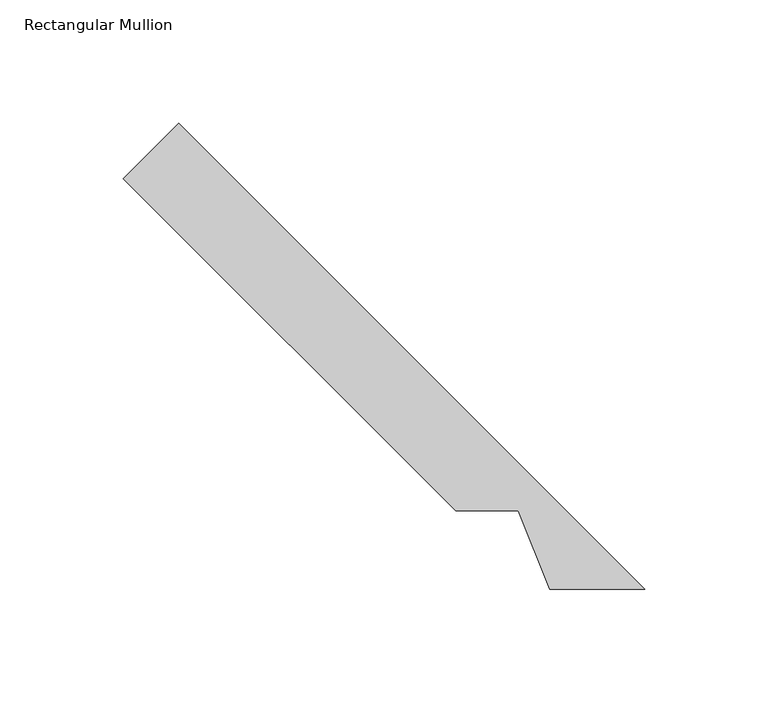
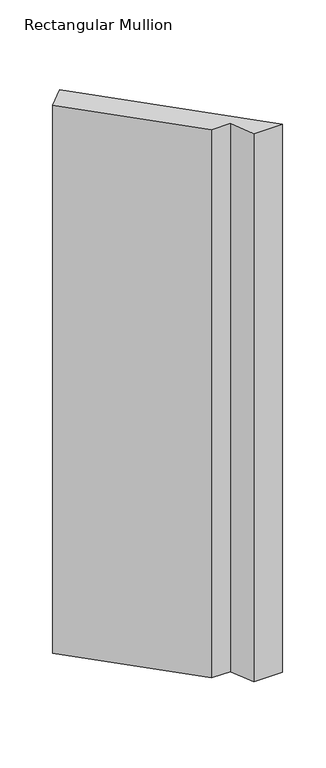
"""IFC4 building model written with IfcOpenShell, lengths in millimetres: member geometry, Rectangular Mullion."""

import ifcopenshell
import ifcopenshell.guid

model = None  # the IFC model being written
_history = None  # IfcOwnerHistory: only IFC2X3 demands one
_inside = {}  # id of a spatial element -> (the spatial element, [elements in it])
_under = {}  # id of a project, library or spatial element -> (it, [spatial elements below it])
_declared = {}  # id of a project -> (the project, [libraries it declares])
_typed = {}  # id of a type object -> (the type object, [elements of that type])
_made_of = {}  # id of a material, layer set ... -> (it, [elements and type objects made of it])


def new_model(schema):
    """Start an empty IFC model of exactly this schema.

    Asked for "IFC4X3", IfcOpenShell would pick the latest addendum, in which some entities
    have other attributes; the version numbers below select the first issue.
    IFC2X3 requires an IfcOwnerHistory on every rooted entity: one is made here for all.
    """
    global model, _history
    if schema == "IFC4X3":
        model = ifcopenshell.file(schema_version=(4, 3, 0, 0))
    else:
        model = ifcopenshell.file(schema=schema)
    _inside.clear()
    _under.clear()
    _declared.clear()
    _typed.clear()
    _made_of.clear()
    _history = None
    if model.schema == "IFC2X3":
        org = make("IfcOrganization", Name="unknown")
        user = make(
            "IfcPersonAndOrganization",
            ThePerson=make("IfcPerson", FamilyName="unknown"),
            TheOrganization=org,
        )
        app = make(
            "IfcApplication",
            ApplicationDeveloper=org,
            Version="unknown",
            ApplicationFullName="unknown",
            ApplicationIdentifier="unknown",
        )
        _history = make(
            "IfcOwnerHistory",
            OwningUser=user,
            OwningApplication=app,
            ChangeAction="ADDED",
            CreationDate=0,
        )
    return model


def make(cls, **values):
    """One entity of the class cls with the attributes given. An attribute that is None is left unset."""
    return model.create_entity(
        cls, **{name: value for name, value in values.items() if value is not None}
    )


def rooted(cls, **values):
    """An entity with a GlobalId (a new one), such as an element, a storey or a relation."""
    return make(cls, GlobalId=ifcopenshell.guid.new(), OwnerHistory=_history, **values)


def si_unit(unit_type, name, prefix=None):
    """IfcSIUnit, for example si_unit("LENGTHUNIT", "METRE", prefix="MILLI")."""
    return make("IfcSIUnit", UnitType=unit_type, Prefix=prefix, Name=name)


def assignment(units):
    """IfcUnitAssignment: the units of a project."""
    return None if units is None else make("IfcUnitAssignment", Units=units)


def point(xyz):
    """IfcCartesianPoint."""
    return None if xyz is None else make("IfcCartesianPoint", Coordinates=xyz)


def direction(xyz):
    """IfcDirection."""
    return None if xyz is None else make("IfcDirection", DirectionRatios=xyz)


def frame(location, z_axis=None, x_axis=None):
    """IfcAxis2Placement3D, a coordinate frame: its origin and axes. An axis left out is left unset."""
    return make(
        "IfcAxis2Placement3D",
        Location=point(location),
        Axis=direction(z_axis),
        RefDirection=direction(x_axis),
    )


def origin():
    """The frame at (0, 0, 0) with its axes left unset."""
    return frame((0.0, 0.0, 0.0))


def place(relative_to, where):
    """IfcLocalPlacement: puts the frame where relative to a parent placement (None: the world)."""
    return make(
        "IfcLocalPlacement", PlacementRelTo=relative_to, RelativePlacement=where
    )


def context(
    kind, dimensions, precision=None, world=None, true_north=None, identifier=None
):
    """IfcGeometricRepresentationContext, for example the 3D "Model" context."""
    return make(
        "IfcGeometricRepresentationContext",
        ContextIdentifier=identifier,
        ContextType=kind,
        CoordinateSpaceDimension=dimensions,
        Precision=precision,
        WorldCoordinateSystem=world,
        TrueNorth=true_north,
    )


def project(units=None, contexts=None):
    """IfcProject with its units and contexts."""
    return rooted(
        "IfcProject",
        Name="project",
        RepresentationContexts=contexts,
        UnitsInContext=assignment(units),
    )


def spatial(cls, under=None, at=None, **own):
    """A site, building, storey or space (cls), placed at a placement, below another one or the project."""
    s = rooted(cls, ObjectPlacement=at, **own)
    if under is not None:
        _under.setdefault(under.id(), (under, []))[1].append(s)
    return s


def polyline(points):
    """IfcPolyline through the points."""
    return make("IfcPolyline", Points=[point(p) for p in points])


def outline(outer, holes=None, kind="AREA"):
    """IfcArbitraryClosedProfileDef: a profile drawn as a closed curve; with holes, ...WithVoids."""
    if holes is None:
        return make("IfcArbitraryClosedProfileDef", ProfileType=kind, OuterCurve=outer)
    return make(
        "IfcArbitraryProfileDefWithVoids",
        ProfileType=kind,
        OuterCurve=outer,
        InnerCurves=holes,
    )


def extrude(swept, where, along, depth):
    """IfcExtrudedAreaSolid: the profile swept, set in the frame where, extruded along a direction by depth."""
    return make(
        "IfcExtrudedAreaSolid",
        SweptArea=swept,
        Position=where,
        ExtrudedDirection=direction(along),
        Depth=depth,
    )


def shape(context_of_items, identifier, shape_type, items):
    """IfcShapeRepresentation: the items that make up one representation, for example the "Body"."""
    return make(
        "IfcShapeRepresentation",
        ContextOfItems=context_of_items,
        RepresentationIdentifier=identifier,
        RepresentationType=shape_type,
        Items=items,
    )


def source(mapping_origin, context_of_items, identifier, shape_type, items):
    """IfcRepresentationMap: a shape defined once, which mapped items show again and again."""
    return make(
        "IfcRepresentationMap",
        MappingOrigin=mapping_origin,
        MappedRepresentation=shape(context_of_items, identifier, shape_type, items),
    )


def transform(
    local_origin,
    x_axis=None,
    y_axis=None,
    z_axis=None,
    scale=None,
    scale2=None,
    scale3=None,
    uniform=True,
):
    """IfcCartesianTransformationOperator3D, or its non-uniform kind. x_axis, y_axis, z_axis: its Axis1, 2, 3."""
    if uniform:
        return make(
            "IfcCartesianTransformationOperator3D",
            Axis1=direction(x_axis),
            Axis2=direction(y_axis),
            LocalOrigin=point(local_origin),
            Scale=scale,
            Axis3=direction(z_axis),
        )
    return make(
        "IfcCartesianTransformationOperator3DnonUniform",
        Axis1=direction(x_axis),
        Axis2=direction(y_axis),
        LocalOrigin=point(local_origin),
        Scale=scale,
        Axis3=direction(z_axis),
        Scale2=scale2,
        Scale3=scale3,
    )


def mapped(mapping_source, mapping_target):
    """IfcMappedItem: shows the shape of a source again, moved by a transform."""
    return make(
        "IfcMappedItem", MappingSource=mapping_source, MappingTarget=mapping_target
    )


def made_of(thing, what):
    """Note that an element or type object is made of a material, layer set ...; save() writes the relation."""
    if what is not None:
        _made_of.setdefault(what.id(), (what, []))[1].append(thing)
    return thing


def element(
    cls,
    number,
    at=None,
    inside=None,
    cuts=None,
    type_object=None,
    material=None,
    context=None,
    identifier="Body",
    shape_type=None,
    held_by="IfcProductDefinitionShape",
    body=None,
    shapes=None,
    **own,
):
    """One element of the class cls, such as IfcWall. Its Tag is "e" and its number.

    at: its placement. inside: the storey or other place that contains it. cuts: it is an
    opening in that element (IfcRelVoidsElement). A single representation is given by context,
    identifier, shape_type and body (its items); several are given by shapes. held_by: the class
    of the entity that holds the representations. save() writes the other relations.
    """
    e = rooted(cls, Tag="e%d" % number, ObjectPlacement=at, **own)
    if body is not None:
        shapes = [shape(context, identifier, shape_type, body)]
    if shapes is not None:
        e.Representation = make(held_by, Representations=shapes)
    if inside is not None:
        _inside.setdefault(inside.id(), (inside, []))[1].append(e)
    if cuts is not None:
        rooted(
            "IfcRelVoidsElement", RelatingBuildingElement=cuts, RelatedOpeningElement=e
        )
    if type_object is not None:
        _typed.setdefault(type_object.id(), (type_object, []))[1].append(e)
    return made_of(e, material)


def aggregate(whole, parts):
    """IfcRelAggregates: a whole, such as a stair, and the parts it consists of."""
    return rooted("IfcRelAggregates", RelatingObject=whole, RelatedObjects=parts)


def save(model, path):
    """Write the relations noted so far, then the file.

    IfcRelAggregates (storeys below a building ...), IfcRelContainedInSpatialStructure (elements
    in a storey), IfcRelDefinesByType, IfcRelAssociatesMaterial and IfcRelDeclares: one each for
    every whole, place, type object, material and project.
    """
    for whole, parts in _under.values():
        aggregate(whole, parts)
    for where, things in _inside.values():
        rooted(
            "IfcRelContainedInSpatialStructure",
            RelatedElements=things,
            RelatingStructure=where,
        )
    for kind, things in _typed.values():
        rooted("IfcRelDefinesByType", RelatedObjects=things, RelatingType=kind)
    for what, things in _made_of.values():
        rooted("IfcRelAssociatesMaterial", RelatedObjects=things, RelatingMaterial=what)
    for by, libraries in _declared.values():
        rooted("IfcRelDeclares", RelatingContext=by, RelatedDefinitions=libraries)
    model.write(path)


def rectangular_mullion_00fa1a95(model_context):
    return source(origin(), model_context, "Body", "SweptSolid", [
        extrude(outline(polyline([(-96.464944, 51.59375), (-231.1687858, 186.2975918), (-208.7181455, 208.7482321), (-19.8136634, 19.84375), (-58.3447889, 19.84375), (-71.0787716, 51.59375), (-96.464944, 51.59375)])), frame((0.0, 0.0, -774.6999999), z_axis=(0.0, 0.0, 1.0), x_axis=(1.0, 0.0, 0.0)), (0.0, 0.0, 1.0), 774.6999999),
    ])


if __name__ == "__main__":
    model = new_model("IFC4")
    model_context = context("Model", 3, world=origin())
    ifc_project = project(units=[si_unit("LENGTHUNIT", "METRE", prefix="MILLI")], contexts=[model_context])
    site = spatial("IfcSite", under=ifc_project)
    building = spatial("IfcBuilding", under=site)
    placement = place(None, origin())
    rectangular_mullion_shape = rectangular_mullion_00fa1a95(model_context)
    element("IfcMember", 1, ObjectType="Rectangular Mullion", at=placement, inside=building, context=model_context, shape_type="MappedRepresentation", body=[
        mapped(rectangular_mullion_shape, transform((0.0, 0.0, 0.0), x_axis=(1.0, 0.0, 0.0), y_axis=(0.0, 1.0, 0.0), z_axis=(0.0, 0.0, 1.0))),
    ])
    save(model, "model.ifc")
